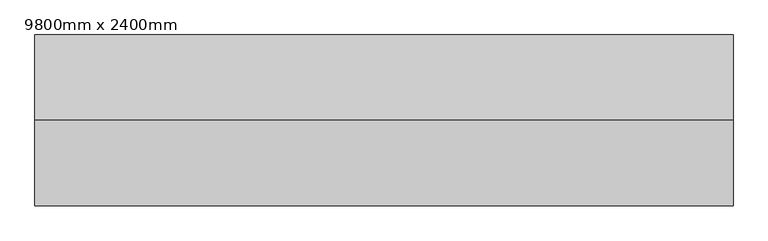
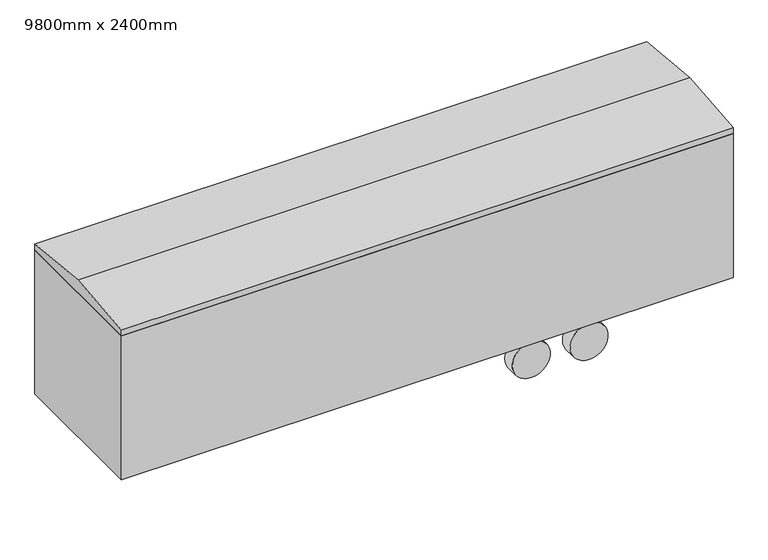
"""IFC4 building model written with IfcOpenShell, lengths in millimetres: geographic element geometry, 9800mm x 2400mm."""

from ifc_helpers import new_model, si_unit, point, frame, frame_2d, origin, place, context, project, spatial, polyline, circle_curve, trimmed, segment, composite_curve, outline, extrude, source, transform, mapped, element, save


def geographic_element_9800mm_x_2400mm_e60a08ff(model_context):
    return source(origin(), model_context, "Body", "SweptSolid", [
        extrude(outline(polyline([(4900.0, 1200.0), (4900.0, -1200.0), (-4900.0, -1200.0), (-4900.0, 1200.0), (4900.0, 1200.0)])), frame((0.0, 0.0, 762.0), z_axis=(0.0, 0.0, 1.0), x_axis=(1.0, 0.0, 0.0)), (0.0, 0.0, 1.0), 2438.4),
        extrude(outline(composite_curve([segment(trimmed(circle_curve(frame_2d((300.5237604, 2722.1639401)), 304.8), [point((605.3237604, 2722.1639401))], [point((-4.2762396, 2722.1639401))], False, "CARTESIAN"), True, "CONTINUOUS"), segment(trimmed(circle_curve(frame_2d((300.5237604, 2722.1639401)), 304.8), [point((-4.2762396, 2722.1639401))], [point((605.3237604, 2722.1639401))], False, "CARTESIAN"), True, "CONTINUOUS")], self_intersect=False)), frame((0.0, 767.9364473, 0.0), z_axis=(0.0, 1.0, 0.0), x_axis=(0.0, 0.0, 1.0)), (0.0, 0.0, 1.0), 206.9356151),
        extrude(outline(composite_curve([segment(trimmed(circle_curve(frame_2d((300.5237604, 1807.7639401)), 304.8), [point((605.3237604, 1807.7639401))], [point((-4.2762396, 1807.7639401))], False, "CARTESIAN"), True, "CONTINUOUS"), segment(trimmed(circle_curve(frame_2d((300.5237604, 1807.7639401)), 304.8), [point((-4.2762396, 1807.7639401))], [point((605.3237604, 1807.7639401))], False, "CARTESIAN"), True, "CONTINUOUS")], self_intersect=False)), frame((0.0, 767.9364473, 0.0), z_axis=(0.0, 1.0, 0.0), x_axis=(0.0, 0.0, 1.0)), (0.0, 0.0, 1.0), 206.9869902),
        extrude(outline(composite_curve([segment(trimmed(circle_curve(frame_2d((300.5237604, 2722.1639401)), 304.8), [point((605.3237604, 2722.1639401))], [point((-4.2762396, 2722.1639401))], False, "CARTESIAN"), True, "CONTINUOUS"), segment(trimmed(circle_curve(frame_2d((300.5237604, 2722.1639401)), 304.8), [point((-4.2762396, 2722.1639401))], [point((605.3237604, 2722.1639401))], False, "CARTESIAN"), True, "CONTINUOUS")], self_intersect=False)), frame((0.0, -974.8720623, 0.0), z_axis=(0.0, 1.0, 0.0), x_axis=(0.0, 0.0, 1.0)), (0.0, 0.0, 1.0), 206.9356151),
        extrude(outline(composite_curve([segment(trimmed(circle_curve(frame_2d((300.5237604, 1807.7639401)), 304.8), [point((605.3237604, 1807.7639401))], [point((-4.2762396, 1807.7639401))], False, "CARTESIAN"), True, "CONTINUOUS"), segment(trimmed(circle_curve(frame_2d((300.5237604, 1807.7639401)), 304.8), [point((-4.2762396, 1807.7639401))], [point((605.3237604, 1807.7639401))], False, "CARTESIAN"), True, "CONTINUOUS")], self_intersect=False)), frame((0.0, -955.6720623, 0.0), z_axis=(0.0, 1.0, 0.0), x_axis=(0.0, 0.0, 1.0)), (0.0, 0.0, 1.0), 206.9356151),
        extrude(outline(polyline([(1200.0, 3302.0), (1200.0, 3200.4), (-1200.0, 3200.4), (-1200.0, 3302.0), (0.0, 3416.0590808), (1200.0, 3302.0)])), frame((-4900.0, 0.0, 0.0), z_axis=(1.0, 0.0, 0.0), x_axis=(0.0, 1.0, 0.0)), (0.0, 0.0, 1.0), 9800.0),
        extrude(outline(polyline([(4747.6, -1047.6), (-4747.6, -1047.6), (-4747.6, 1047.6), (4747.6, 1047.6), (4747.6, -1047.6)])), frame((0.0, 0.0, 640.3643069), z_axis=(0.0, 0.0, 1.0), x_axis=(1.0, 0.0, 0.0)), (0.0, 0.0, 1.0), 121.6356931),
    ])


if __name__ == "__main__":
    model = new_model("IFC4")
    model_context = context("Model", 3, world=origin())
    ifc_project = project(units=[si_unit("LENGTHUNIT", "METRE", prefix="MILLI")], contexts=[model_context])
    site = spatial("IfcSite", under=ifc_project)
    building = spatial("IfcBuilding", under=site)
    placement = place(None, origin())
    geographic_element_9800mm_x_2400mm_shape = geographic_element_9800mm_x_2400mm_e60a08ff(model_context)
    element("IfcGeographicElement", 1, ObjectType="9800mm x 2400mm", at=placement, inside=building, context=model_context, shape_type="MappedRepresentation", body=[
        mapped(geographic_element_9800mm_x_2400mm_shape, transform((0.0, 0.0, 0.0), x_axis=(1.0, 0.0, 0.0), y_axis=(0.0, 1.0, 0.0), z_axis=(0.0, 0.0, 1.0))),
    ])
    save(model, "model.ifc")
